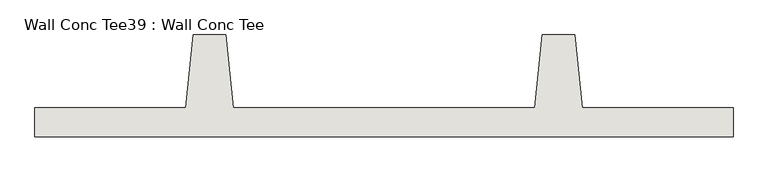
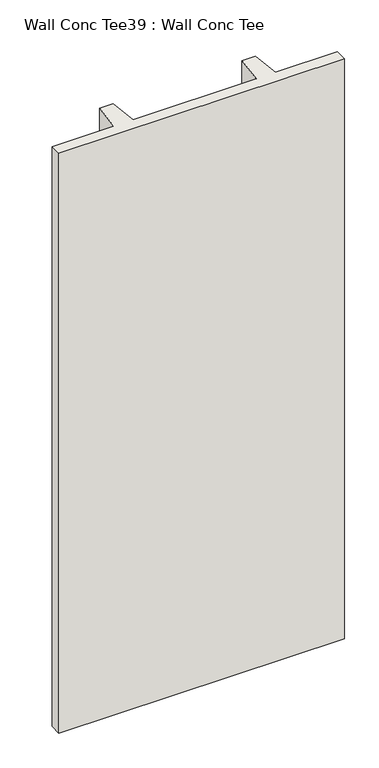
"""IFC4 building model written with IfcOpenShell, lengths in millimetres: wall geometry, Wall Conc Tee39 : Wall Conc Tee."""

from ifc_helpers import new_model, si_unit, frame, origin, place, context, project, spatial, polyline, outline, extrude, source, transform, mapped, element, save


def wall_conc_tee39_wall_conc_tee_2b3d676c(model_context):
    return source(origin(), model_context, "Body", "SweptSolid", [
        extrude(outline(polyline([(229680.2728488, 193104.2596581), (227241.8728488, 193104.2596581), (227241.8728488, 193205.8596581), (227768.9228488, 193205.8596581), (227794.3228488, 193459.8596581), (227908.6228488, 193459.8596581), (227934.0228488, 193205.8596581), (228988.1228488, 193205.8596581), (229013.5228488, 193459.8596581), (229127.8228488, 193459.8596581), (229153.2228488, 193205.8596581), (229680.2728488, 193205.8596581), (229680.2728488, 193104.2596581)])), frame((0.0, 0.0, 143.7592564), z_axis=(0.0, 0.0, 1.0), x_axis=(1.0, 0.0, 0.0)), (0.0, 0.0, 1.0), 5232.4087123),
    ])


if __name__ == "__main__":
    model = new_model("IFC4")
    model_context = context("Model", 3, world=origin())
    ifc_project = project(units=[si_unit("LENGTHUNIT", "METRE", prefix="MILLI")], contexts=[model_context])
    site = spatial("IfcSite", under=ifc_project)
    building = spatial("IfcBuilding", under=site)
    placement = place(None, origin())
    wall_conc_tee39_wall_conc_tee_shape = wall_conc_tee39_wall_conc_tee_2b3d676c(model_context)
    element("IfcWall", 1, ObjectType="Wall Conc Tee39 : Wall Conc Tee", at=placement, inside=building, context=model_context, shape_type="MappedRepresentation", body=[
        mapped(wall_conc_tee39_wall_conc_tee_shape, transform((0.0, 0.0, 0.0), x_axis=(1.0, 0.0, 0.0), y_axis=(0.0, 1.0, 0.0), z_axis=(0.0, 0.0, 1.0))),
    ])
    save(model, "model.ifc")
